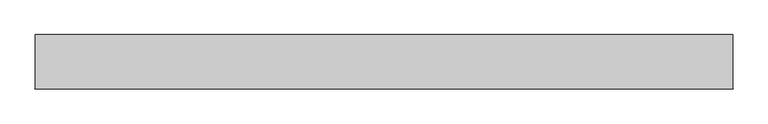
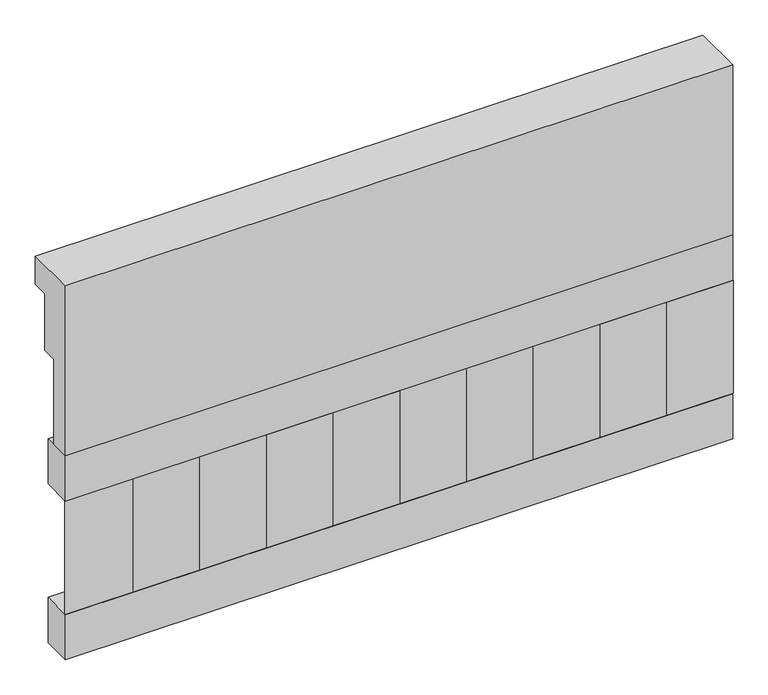
"""IFC4 building model written with IfcOpenShell, lengths in millimetres: railing geometry."""

from ifc_helpers import new_model, si_unit, frame, origin, place, context, project, spatial, polyline, outline, extrude, source, transform, mapped, element, save


def railing_f950d178(model_context):
    return source(origin(), model_context, "Body", "SweptSolid", [
        extrude(outline(polyline([(903.1079487, 25100.0), (1033.1079487, 25100.0), (1033.1079487, 25025.0), (993.1079487, 25025.0), (993.1079487, 24875.0), (953.1079487, 24875.0), (953.1079487, 24650.0), (903.1079487, 24650.0), (903.1079487, 25100.0)])), frame((-33139.9887159, 0.0, 0.0), z_axis=(1.0, 0.0, 0.0), x_axis=(0.0, 1.0, 0.0)), (0.0, 0.0, 1.0), 1670.0),
        extrude(outline(polyline([(-31469.9887159, 978.1079487), (-31469.9887159, 903.1079487), (-33139.9887159, 903.1079487), (-33139.9887159, 978.1079487), (-31469.9887159, 978.1079487)])), frame((0.0, 0.0, 24530.0), z_axis=(0.0, 0.0, 1.0), x_axis=(1.0, 0.0, 0.0)), (0.0, 0.0, 1.0), 120.0),
        extrude(outline(polyline([(-31469.9887159, 978.1079487), (-31469.9887159, 903.1079487), (-33139.9887159, 903.1079487), (-33139.9887159, 978.1079487), (-31469.9887159, 978.1079487)])), frame((0.0, 0.0, 24110.0), z_axis=(0.0, 0.0, 1.0), x_axis=(1.0, 0.0, 0.0)), (0.0, 0.0, 1.0), 120.0),
        extrude(outline(polyline([(-33056.4887159, 987.9607624), (-32971.6359022, 903.1079487), (-33141.3415296, 903.1079487), (-33056.4887159, 987.9607624)])), frame((0.0, 0.0, 24230.0), z_axis=(0.0, 0.0, 1.0), x_axis=(1.0, 0.0, 0.0)), (0.0, 0.0, 1.0), 300.0),
        extrude(outline(polyline([(-32889.4887159, 987.9607624), (-32804.6359022, 903.1079487), (-32974.3415296, 903.1079487), (-32889.4887159, 987.9607624)])), frame((0.0, 0.0, 24230.0), z_axis=(0.0, 0.0, 1.0), x_axis=(1.0, 0.0, 0.0)), (0.0, 0.0, 1.0), 300.0),
        extrude(outline(polyline([(-32722.4887159, 987.9607624), (-32637.6359022, 903.1079487), (-32807.3415296, 903.1079487), (-32722.4887159, 987.9607624)])), frame((0.0, 0.0, 24230.0), z_axis=(0.0, 0.0, 1.0), x_axis=(1.0, 0.0, 0.0)), (0.0, 0.0, 1.0), 300.0),
        extrude(outline(polyline([(-32555.4887159, 987.9607624), (-32470.6359022, 903.1079487), (-32640.3415296, 903.1079487), (-32555.4887159, 987.9607624)])), frame((0.0, 0.0, 24230.0), z_axis=(0.0, 0.0, 1.0), x_axis=(1.0, 0.0, 0.0)), (0.0, 0.0, 1.0), 300.0),
        extrude(outline(polyline([(-32388.4887159, 987.9607624), (-32303.6359022, 903.1079487), (-32473.3415296, 903.1079487), (-32388.4887159, 987.9607624)])), frame((0.0, 0.0, 24230.0), z_axis=(0.0, 0.0, 1.0), x_axis=(1.0, 0.0, 0.0)), (0.0, 0.0, 1.0), 300.0),
        extrude(outline(polyline([(-32221.4887159, 987.9607624), (-32136.6359022, 903.1079487), (-32306.3415296, 903.1079487), (-32221.4887159, 987.9607624)])), frame((0.0, 0.0, 24230.0), z_axis=(0.0, 0.0, 1.0), x_axis=(1.0, 0.0, 0.0)), (0.0, 0.0, 1.0), 300.0),
        extrude(outline(polyline([(-32054.4887159, 987.9607624), (-31969.6359022, 903.1079487), (-32139.3415296, 903.1079487), (-32054.4887159, 987.9607624)])), frame((0.0, 0.0, 24230.0), z_axis=(0.0, 0.0, 1.0), x_axis=(1.0, 0.0, 0.0)), (0.0, 0.0, 1.0), 300.0),
        extrude(outline(polyline([(-31887.4887159, 987.9607624), (-31802.6359022, 903.1079487), (-31972.3415296, 903.1079487), (-31887.4887159, 987.9607624)])), frame((0.0, 0.0, 24230.0), z_axis=(0.0, 0.0, 1.0), x_axis=(1.0, 0.0, 0.0)), (0.0, 0.0, 1.0), 300.0),
        extrude(outline(polyline([(-31720.4887159, 987.9607624), (-31635.6359022, 903.1079487), (-31805.3415296, 903.1079487), (-31720.4887159, 987.9607624)])), frame((0.0, 0.0, 24230.0), z_axis=(0.0, 0.0, 1.0), x_axis=(1.0, 0.0, 0.0)), (0.0, 0.0, 1.0), 300.0),
        extrude(outline(polyline([(-31553.4887159, 987.9607624), (-31468.6359022, 903.1079487), (-31638.3415296, 903.1079487), (-31553.4887159, 987.9607624)])), frame((0.0, 0.0, 24230.0), z_axis=(0.0, 0.0, 1.0), x_axis=(1.0, 0.0, 0.0)), (0.0, 0.0, 1.0), 300.0),
    ])


if __name__ == "__main__":
    model = new_model("IFC4")
    model_context = context("Model", 3, world=origin())
    ifc_project = project(units=[si_unit("LENGTHUNIT", "METRE", prefix="MILLI")], contexts=[model_context])
    site = spatial("IfcSite", under=ifc_project)
    building = spatial("IfcBuilding", under=site)
    placement = place(None, origin())
    railing_shape = railing_f950d178(model_context)
    element("IfcRailing", 1, at=placement, inside=building, context=model_context, shape_type="MappedRepresentation", body=[
        mapped(railing_shape, transform((0.0, 0.0, 0.0), x_axis=(1.0, 0.0, 0.0), y_axis=(0.0, 1.0, 0.0), z_axis=(0.0, 0.0, 1.0))),
    ])
    save(model, "model.ifc")
